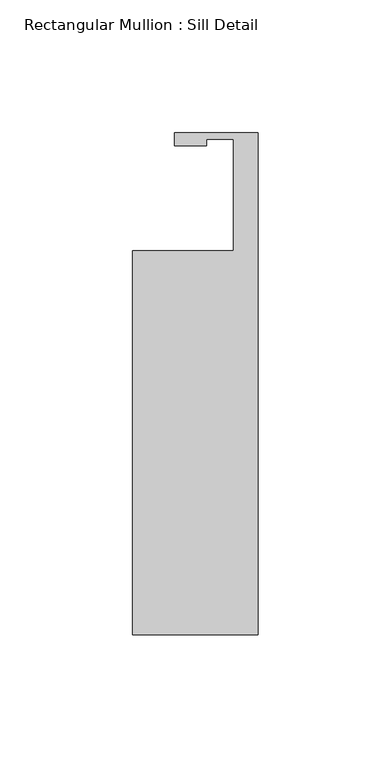
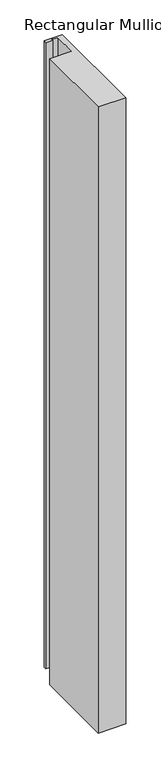
"""IFC4 building model written with IfcOpenShell, lengths in millimetres: member geometry, Rectangular Mullion : Sill Detail."""

from ifc_helpers import new_model, si_unit, frame, origin, place, context, project, spatial, polyline, outline, extrude, source, transform, mapped, element, save


def rectangular_mullion_sill_detail_348cdeb7(model_context):
    return source(origin(), model_context, "Body", "SweptSolid", [
        extrude(outline(polyline([(0.0, -163.9062), (-47.4265625, -163.9062), (-47.4265625, -19.05), (-9.3265625, -19.05), (-9.3265625, 22.86), (-19.4611625, 22.86), (-19.4611625, 20.5040579), (-31.548507, 20.5040579), (-31.548507, 25.3938484), (0.0, 25.3938484), (0.0, -163.9062)])), frame((0.0, 0.0, -1143.0), z_axis=(0.0, 0.0, 1.0), x_axis=(1.0, 0.0, 0.0)), (0.0, 0.0, 1.0), 1143.0),
    ])


if __name__ == "__main__":
    model = new_model("IFC4")
    model_context = context("Model", 3, world=origin())
    ifc_project = project(units=[si_unit("LENGTHUNIT", "METRE", prefix="MILLI")], contexts=[model_context])
    site = spatial("IfcSite", under=ifc_project)
    building = spatial("IfcBuilding", under=site)
    placement = place(None, origin())
    rectangular_mullion_sill_detail_shape = rectangular_mullion_sill_detail_348cdeb7(model_context)
    element("IfcMember", 1, ObjectType="Rectangular Mullion : Sill Detail", at=placement, inside=building, context=model_context, shape_type="MappedRepresentation", body=[
        mapped(rectangular_mullion_sill_detail_shape, transform((0.0, 0.0, 0.0), x_axis=(1.0, 0.0, 0.0), y_axis=(0.0, 1.0, 0.0), z_axis=(0.0, 0.0, 1.0))),
    ])
    save(model, "model.ifc")
